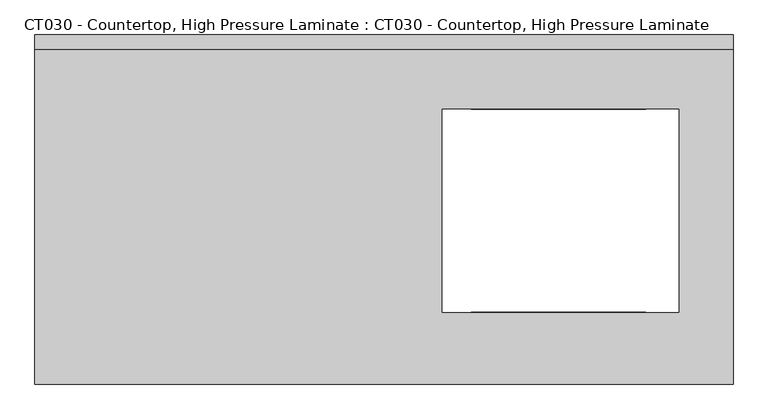
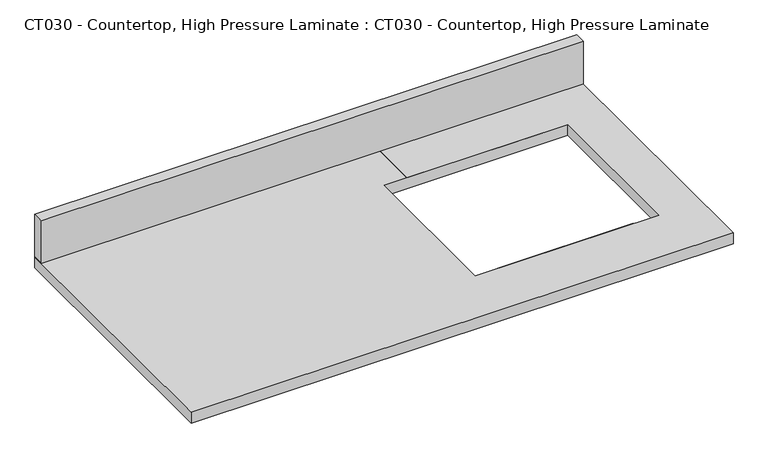
"""IFC4 building model written with IfcOpenShell, lengths in millimetres: proxy geometry, CT030 - Countertop, High Pressure Laminate : CT030 - Countertop, High Pressure Laminate."""

import ifcopenshell
import ifcopenshell.guid

model = None  # the IFC model being written
_history = None  # IfcOwnerHistory: only IFC2X3 demands one
_inside = {}  # id of a spatial element -> (the spatial element, [elements in it])
_under = {}  # id of a project, library or spatial element -> (it, [spatial elements below it])
_declared = {}  # id of a project -> (the project, [libraries it declares])
_typed = {}  # id of a type object -> (the type object, [elements of that type])
_made_of = {}  # id of a material, layer set ... -> (it, [elements and type objects made of it])


def new_model(schema):
    """Start an empty IFC model of exactly this schema.

    Asked for "IFC4X3", IfcOpenShell would pick the latest addendum, in which some entities
    have other attributes; the version numbers below select the first issue.
    IFC2X3 requires an IfcOwnerHistory on every rooted entity: one is made here for all.
    """
    global model, _history
    if schema == "IFC4X3":
        model = ifcopenshell.file(schema_version=(4, 3, 0, 0))
    else:
        model = ifcopenshell.file(schema=schema)
    _inside.clear()
    _under.clear()
    _declared.clear()
    _typed.clear()
    _made_of.clear()
    _history = None
    if model.schema == "IFC2X3":
        org = make("IfcOrganization", Name="unknown")
        user = make(
            "IfcPersonAndOrganization",
            ThePerson=make("IfcPerson", FamilyName="unknown"),
            TheOrganization=org,
        )
        app = make(
            "IfcApplication",
            ApplicationDeveloper=org,
            Version="unknown",
            ApplicationFullName="unknown",
            ApplicationIdentifier="unknown",
        )
        _history = make(
            "IfcOwnerHistory",
            OwningUser=user,
            OwningApplication=app,
            ChangeAction="ADDED",
            CreationDate=0,
        )
    return model


def make(cls, **values):
    """One entity of the class cls with the attributes given. An attribute that is None is left unset."""
    return model.create_entity(
        cls, **{name: value for name, value in values.items() if value is not None}
    )


def rooted(cls, **values):
    """An entity with a GlobalId (a new one), such as an element, a storey or a relation."""
    return make(cls, GlobalId=ifcopenshell.guid.new(), OwnerHistory=_history, **values)


def si_unit(unit_type, name, prefix=None):
    """IfcSIUnit, for example si_unit("LENGTHUNIT", "METRE", prefix="MILLI")."""
    return make("IfcSIUnit", UnitType=unit_type, Prefix=prefix, Name=name)


def assignment(units):
    """IfcUnitAssignment: the units of a project."""
    return None if units is None else make("IfcUnitAssignment", Units=units)


def point(xyz):
    """IfcCartesianPoint."""
    return None if xyz is None else make("IfcCartesianPoint", Coordinates=xyz)


def direction(xyz):
    """IfcDirection."""
    return None if xyz is None else make("IfcDirection", DirectionRatios=xyz)


def frame(location, z_axis=None, x_axis=None):
    """IfcAxis2Placement3D, a coordinate frame: its origin and axes. An axis left out is left unset."""
    return make(
        "IfcAxis2Placement3D",
        Location=point(location),
        Axis=direction(z_axis),
        RefDirection=direction(x_axis),
    )


def origin():
    """The frame at (0, 0, 0) with its axes left unset."""
    return frame((0.0, 0.0, 0.0))


def place(relative_to, where):
    """IfcLocalPlacement: puts the frame where relative to a parent placement (None: the world)."""
    return make(
        "IfcLocalPlacement", PlacementRelTo=relative_to, RelativePlacement=where
    )


def context(
    kind, dimensions, precision=None, world=None, true_north=None, identifier=None
):
    """IfcGeometricRepresentationContext, for example the 3D "Model" context."""
    return make(
        "IfcGeometricRepresentationContext",
        ContextIdentifier=identifier,
        ContextType=kind,
        CoordinateSpaceDimension=dimensions,
        Precision=precision,
        WorldCoordinateSystem=world,
        TrueNorth=true_north,
    )


def project(units=None, contexts=None):
    """IfcProject with its units and contexts."""
    return rooted(
        "IfcProject",
        Name="project",
        RepresentationContexts=contexts,
        UnitsInContext=assignment(units),
    )


def spatial(cls, under=None, at=None, **own):
    """A site, building, storey or space (cls), placed at a placement, below another one or the project."""
    s = rooted(cls, ObjectPlacement=at, **own)
    if under is not None:
        _under.setdefault(under.id(), (under, []))[1].append(s)
    return s


def polyline(points):
    """IfcPolyline through the points."""
    return make("IfcPolyline", Points=[point(p) for p in points])


def outline(outer, holes=None, kind="AREA"):
    """IfcArbitraryClosedProfileDef: a profile drawn as a closed curve; with holes, ...WithVoids."""
    if holes is None:
        return make("IfcArbitraryClosedProfileDef", ProfileType=kind, OuterCurve=outer)
    return make(
        "IfcArbitraryProfileDefWithVoids",
        ProfileType=kind,
        OuterCurve=outer,
        InnerCurves=holes,
    )


def extrude(swept, where, along, depth):
    """IfcExtrudedAreaSolid: the profile swept, set in the frame where, extruded along a direction by depth."""
    return make(
        "IfcExtrudedAreaSolid",
        SweptArea=swept,
        Position=where,
        ExtrudedDirection=direction(along),
        Depth=depth,
    )


def shape(context_of_items, identifier, shape_type, items):
    """IfcShapeRepresentation: the items that make up one representation, for example the "Body"."""
    return make(
        "IfcShapeRepresentation",
        ContextOfItems=context_of_items,
        RepresentationIdentifier=identifier,
        RepresentationType=shape_type,
        Items=items,
    )


def source(mapping_origin, context_of_items, identifier, shape_type, items):
    """IfcRepresentationMap: a shape defined once, which mapped items show again and again."""
    return make(
        "IfcRepresentationMap",
        MappingOrigin=mapping_origin,
        MappedRepresentation=shape(context_of_items, identifier, shape_type, items),
    )


def transform(
    local_origin,
    x_axis=None,
    y_axis=None,
    z_axis=None,
    scale=None,
    scale2=None,
    scale3=None,
    uniform=True,
):
    """IfcCartesianTransformationOperator3D, or its non-uniform kind. x_axis, y_axis, z_axis: its Axis1, 2, 3."""
    if uniform:
        return make(
            "IfcCartesianTransformationOperator3D",
            Axis1=direction(x_axis),
            Axis2=direction(y_axis),
            LocalOrigin=point(local_origin),
            Scale=scale,
            Axis3=direction(z_axis),
        )
    return make(
        "IfcCartesianTransformationOperator3DnonUniform",
        Axis1=direction(x_axis),
        Axis2=direction(y_axis),
        LocalOrigin=point(local_origin),
        Scale=scale,
        Axis3=direction(z_axis),
        Scale2=scale2,
        Scale3=scale3,
    )


def mapped(mapping_source, mapping_target):
    """IfcMappedItem: shows the shape of a source again, moved by a transform."""
    return make(
        "IfcMappedItem", MappingSource=mapping_source, MappingTarget=mapping_target
    )


def made_of(thing, what):
    """Note that an element or type object is made of a material, layer set ...; save() writes the relation."""
    if what is not None:
        _made_of.setdefault(what.id(), (what, []))[1].append(thing)
    return thing


def element(
    cls,
    number,
    at=None,
    inside=None,
    cuts=None,
    type_object=None,
    material=None,
    context=None,
    identifier="Body",
    shape_type=None,
    held_by="IfcProductDefinitionShape",
    body=None,
    shapes=None,
    **own,
):
    """One element of the class cls, such as IfcWall. Its Tag is "e" and its number.

    at: its placement. inside: the storey or other place that contains it. cuts: it is an
    opening in that element (IfcRelVoidsElement). A single representation is given by context,
    identifier, shape_type and body (its items); several are given by shapes. held_by: the class
    of the entity that holds the representations. save() writes the other relations.
    """
    e = rooted(cls, Tag="e%d" % number, ObjectPlacement=at, **own)
    if body is not None:
        shapes = [shape(context, identifier, shape_type, body)]
    if shapes is not None:
        e.Representation = make(held_by, Representations=shapes)
    if inside is not None:
        _inside.setdefault(inside.id(), (inside, []))[1].append(e)
    if cuts is not None:
        rooted(
            "IfcRelVoidsElement", RelatingBuildingElement=cuts, RelatedOpeningElement=e
        )
    if type_object is not None:
        _typed.setdefault(type_object.id(), (type_object, []))[1].append(e)
    return made_of(e, material)


def aggregate(whole, parts):
    """IfcRelAggregates: a whole, such as a stair, and the parts it consists of."""
    return rooted("IfcRelAggregates", RelatingObject=whole, RelatedObjects=parts)


def save(model, path):
    """Write the relations noted so far, then the file.

    IfcRelAggregates (storeys below a building ...), IfcRelContainedInSpatialStructure (elements
    in a storey), IfcRelDefinesByType, IfcRelAssociatesMaterial and IfcRelDeclares: one each for
    every whole, place, type object, material and project.
    """
    for whole, parts in _under.values():
        aggregate(whole, parts)
    for where, things in _inside.values():
        rooted(
            "IfcRelContainedInSpatialStructure",
            RelatedElements=things,
            RelatingStructure=where,
        )
    for kind, things in _typed.values():
        rooted("IfcRelDefinesByType", RelatedObjects=things, RelatingType=kind)
    for what, things in _made_of.values():
        rooted("IfcRelAssociatesMaterial", RelatedObjects=things, RelatingMaterial=what)
    for by, libraries in _declared.values():
        rooted("IfcRelDeclares", RelatingContext=by, RelatedDefinitions=libraries)
    model.write(path)


def ct030_countertop_high_pressure_laminate_ct030_countertop_c689d5a4(model_context):
    return source(origin(), model_context, "Body", "SweptSolid", [
        extrude(outline(polyline([(304.8000001, 304.8), (304.8000001, -304.8), (-914.3999999, -304.8), (-914.3999999, 304.8), (304.8000001, 304.8)]), holes=[polyline([(209.55, 175.3475934), (-203.2, 175.3475934), (-203.2, -179.2965971), (209.55, -179.2965971), (209.55, 175.3475934)])]), frame((0.0, 0.0, 838.2), z_axis=(0.0, 0.0, 1.0), x_axis=(1.0, 0.0, 0.0)), (0.0, 0.0, 1.0), 25.4),
        extrude(outline(polyline([(152.4, -304.8), (-152.4, -304.8), (-152.4, -179.2965971), (152.4, -179.2965971), (152.4, -304.8)])), frame((0.0, 0.0, 838.2), z_axis=(0.0, 0.0, 1.0), x_axis=(1.0, 0.0, 0.0)), (0.0, 0.0, 1.0), 25.4),
        extrude(outline(polyline([(-152.4, 304.8), (152.4, 304.8), (152.4, 175.3475934), (-152.4, 175.3475934), (-152.4, 304.8)])), frame((0.0, 0.0, 838.2), z_axis=(0.0, 0.0, 1.0), x_axis=(1.0, 0.0, 0.0)), (0.0, 0.0, 1.0), 25.4),
        extrude(outline(polyline([(-914.3999999, 279.4), (-914.3999999, 304.8), (304.8000001, 304.8), (304.8000001, 279.4), (-914.3999999, 279.4)])), frame((0.0, 0.0, 863.6), z_axis=(0.0, 0.0, 1.0), x_axis=(1.0, 0.0, 0.0)), (0.0, 0.0, 1.0), 101.6),
    ])


if __name__ == "__main__":
    model = new_model("IFC4")
    model_context = context("Model", 3, world=origin())
    ifc_project = project(units=[si_unit("LENGTHUNIT", "METRE", prefix="MILLI")], contexts=[model_context])
    site = spatial("IfcSite", under=ifc_project)
    building = spatial("IfcBuilding", under=site)
    placement = place(None, origin())
    ct030_countertop_high_pressure_laminate_ct030_countertop_shape = ct030_countertop_high_pressure_laminate_ct030_countertop_c689d5a4(model_context)
    element("IfcBuildingElementProxy", 1, Name="CT030 - Countertop, High Pressure Laminate : CT030 - Countertop, High Pressure Laminate", ObjectType="CT030 - Countertop, High Pressure Laminate : CT030 - Countertop, High Pressure Laminate", at=placement, inside=building, context=model_context, shape_type="MappedRepresentation", body=[
        mapped(ct030_countertop_high_pressure_laminate_ct030_countertop_shape, transform((0.0, 0.0, 0.0), x_axis=(1.0, 0.0, 0.0), y_axis=(0.0, 1.0, 0.0), z_axis=(0.0, 0.0, 1.0))),
    ])
    save(model, "model.ifc")
